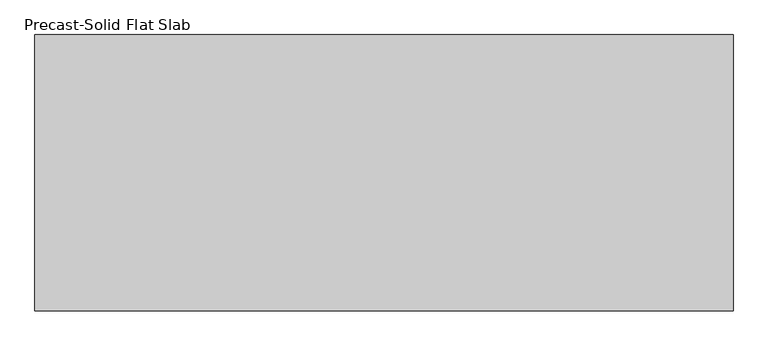
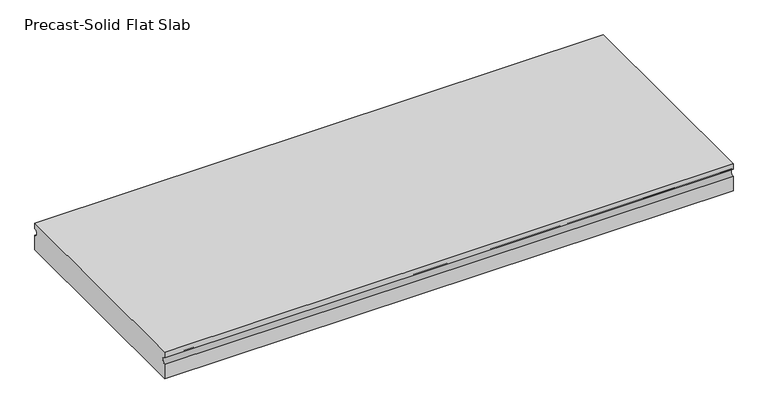
"""IFC4 building model written with IfcOpenShell, lengths in millimetres: beam geometry, Precast-Solid Flat Slab."""

from ifc_helpers import new_model, si_unit, point, frame, frame_2d, origin, place, context, project, spatial, polyline, circle_curve, trimmed, segment, composite_curve, outline, extrude, source, transform, mapped, element, save


def precast_solid_flat_slab_c824c802(model_context):
    return source(origin(), model_context, "Body", "SweptSolid", [
        extrude(outline(composite_curve([segment(polyline([(-304.8, 38.1), (304.8, 38.1), (304.8, 22.225)]), True, "CONTINUOUS"), segment(trimmed(circle_curve(frame_2d((304.8, 12.7)), 9.525), [point((304.8, 22.225))], [point((304.8, 3.175))], True, "CARTESIAN"), True, "CONTINUOUS"), segment(polyline([(304.8, 3.175), (304.8, -38.1), (-304.8, -38.1), (-304.8, 3.175)]), True, "CONTINUOUS"), segment(trimmed(circle_curve(frame_2d((-304.8, 12.7)), 9.525), [point((-304.8, 3.175))], [point((-304.8, 22.225))], True, "CARTESIAN"), True, "CONTINUOUS"), segment(polyline([(-304.8, 22.225), (-304.8, 38.1)]), True, "CONTINUOUS")], self_intersect=False)), frame((-825.8302, 0.0, 0.0), z_axis=(1.0, 0.0, 0.0), x_axis=(0.0, 1.0, 0.0)), (0.0, 0.0, 1.0), 1540.3540281),
    ])


if __name__ == "__main__":
    model = new_model("IFC4")
    model_context = context("Model", 3, world=origin())
    ifc_project = project(units=[si_unit("LENGTHUNIT", "METRE", prefix="MILLI")], contexts=[model_context])
    site = spatial("IfcSite", under=ifc_project)
    building = spatial("IfcBuilding", under=site)
    placement = place(None, origin())
    precast_solid_flat_slab_shape = precast_solid_flat_slab_c824c802(model_context)
    element("IfcBeam", 1, ObjectType="Precast-Solid Flat Slab", at=placement, inside=building, context=model_context, shape_type="MappedRepresentation", body=[
        mapped(precast_solid_flat_slab_shape, transform((0.0, 0.0, 0.0), x_axis=(1.0, 0.0, 0.0), y_axis=(0.0, 1.0, 0.0), z_axis=(0.0, 0.0, 1.0))),
    ])
    save(model, "model.ifc")
